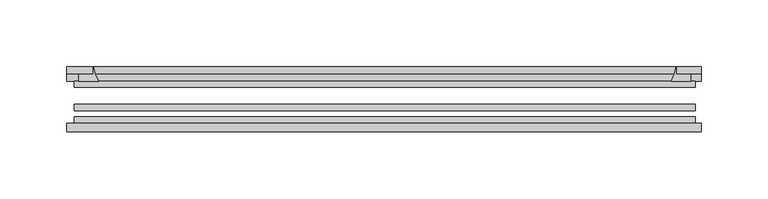
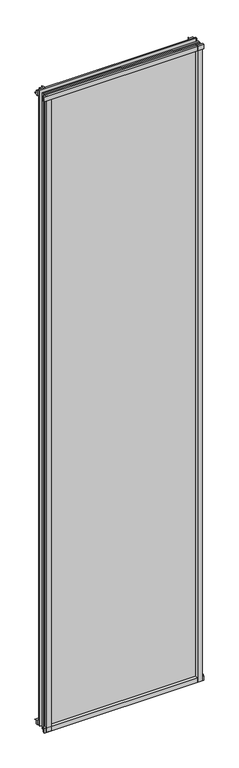
"""IFC4 building model written with IfcOpenShell, lengths in millimetres: plate geometry."""

from ifc_helpers import new_model, si_unit, point, frame, frame_2d, origin, place, context, project, spatial, polyline, circle_curve, trimmed, segment, composite_curve, outline, extrude, source, transform, mapped, element, save


def plate_31d565b8(model_context):
    return source(origin(), model_context, "Body", "SweptSolid", [
        extrude(outline(composite_curve([segment(polyline([(-85.1328625, 1995.5063002), (-78.7828625, 1995.5063002), (-78.7828625, 1979.2561909)]), True, "CONTINUOUS"), segment(trimmed(circle_curve(frame_2d((-85.0581856, 1970.2064356)), 11.0126179), [point((-78.7828625, 1979.2561909))], [point((-85.1328625, 1981.2188002))], True, "CARTESIAN"), True, "CONTINUOUS"), segment(polyline([(-85.1328625, 1981.2188002), (-85.1328625, 1995.5063002)]), True, "CONTINUOUS")], self_intersect=False)), frame((-239.1029, 0.0, 0.0), z_axis=(1.0, 0.0, 0.0), x_axis=(0.0, 1.0, 0.0)), (0.0, 0.0, 1.0), 477.015175),
        extrude(outline(composite_curve([segment(polyline([(-233.3482125, -78.7828625), (-216.4869969, -78.7828625)]), True, "CONTINUOUS"), segment(trimmed(circle_curve(frame_2d((-205.9245934, -86.7604812)), 13.2365693), [point((-216.4869969, -78.7828625))], [point((-219.0607125, -85.1328625))], True, "CARTESIAN"), True, "CONTINUOUS"), segment(polyline([(-219.0607125, -85.1328625), (-233.3482125, -85.1328625), (-233.3482125, -78.7828625)]), True, "CONTINUOUS")], self_intersect=False)), frame((0.0, 0.0, -14.2875), z_axis=(0.0, 0.0, 1.0), x_axis=(1.0, 0.0, 0.0)), (0.0, 0.0, 1.0), 2009.775),
        extrude(outline(composite_curve([segment(polyline([(233.3482125, -78.7828625), (233.3482125, -85.1328625), (219.0607125, -85.1328625)]), True, "CONTINUOUS"), segment(trimmed(circle_curve(frame_2d((205.9245934, -86.7604812)), 13.2365693), [point((219.0607125, -85.1328625))], [point((216.4869969, -78.7828625))], True, "CARTESIAN"), True, "CONTINUOUS"), segment(polyline([(216.4869969, -78.7828625), (233.3482125, -78.7828625)]), True, "CONTINUOUS")], self_intersect=False)), frame((0.0, 0.0, -14.2875), z_axis=(0.0, 0.0, 1.0), x_axis=(1.0, 0.0, 0.0)), (0.0, 0.0, 1.0), 2009.775),
        extrude(outline(composite_curve([segment(polyline([(-47.1852625, -10.4712201), (-47.1852625, 3.9588469)]), True, "CONTINUOUS"), segment(trimmed(circle_curve(frame_2d((-30.6824422, 32.267054)), 32.7673262), [point((-47.1852625, 3.9588469))], [point((-36.3503395, -0.00635))], True, "CARTESIAN"), True, "CONTINUOUS"), segment(polyline([(-36.3503395, -0.00635), (-42.2830625, -0.00635), (-42.2830625, -10.4712201), (-47.1852625, -10.4712201)]), True, "CONTINUOUS")], self_intersect=False)), frame((-239.1029, 0.0, 0.0), z_axis=(1.0, 0.0, 0.0), x_axis=(0.0, 1.0, 0.0)), (0.0, 0.0, 1.0), 477.015175),
        extrude(outline(composite_curve([segment(polyline([(-78.7828625, -14.2875), (-85.1328625, -14.2875), (-85.1328625, -0.0127)]), True, "CONTINUOUS"), segment(trimmed(circle_curve(frame_2d((-86.7604812, 13.1234191)), 13.2365693), [point((-85.1328625, -0.0127))], [point((-78.7828625, 2.5610156))], True, "CARTESIAN"), True, "CONTINUOUS"), segment(polyline([(-78.7828625, 2.5610156), (-78.7828625, -14.2875)]), True, "CONTINUOUS")], self_intersect=False)), frame((-239.1029, 0.0, 0.0), z_axis=(1.0, 0.0, 0.0), x_axis=(0.0, 1.0, 0.0)), (0.0, 0.0, 1.0), 477.015175),
        extrude(outline(composite_curve([segment(polyline([(-47.1852625, 1977.2284531), (-47.1852625, 1991.9002564), (-42.2830625, 1991.9002564), (-42.2830625, 1981.2), (-36.3140625, 1981.2)]), True, "CONTINUOUS"), segment(trimmed(circle_curve(frame_2d((-30.6824422, 1948.920246)), 32.7673262), [point((-36.3140625, 1981.2))], [point((-47.1852625, 1977.2284531))], True, "CARTESIAN"), True, "CONTINUOUS")], self_intersect=False)), frame((-239.1029, 0.0, 0.0), z_axis=(1.0, 0.0, 0.0), x_axis=(0.0, 1.0, 0.0)), (0.0, 0.0, 1.0), 477.015175),
        extrude(outline(composite_curve([segment(trimmed(circle_curve(frame_2d((186.7809585, -30.6824422)), 32.7673262), [point((215.0891656, -47.1852625))], [point((219.0607125, -36.3140625))], True, "CARTESIAN"), True, "CONTINUOUS"), segment(polyline([(219.0607125, -36.3140625), (219.0607125, -42.2830625), (229.7610778, -42.2830625), (229.7610778, -47.1852625), (215.0891656, -47.1852625)]), True, "CONTINUOUS")], self_intersect=False)), frame((0.0, 0.0, -14.2875), z_axis=(0.0, 0.0, 1.0), x_axis=(1.0, 0.0, 0.0)), (0.0, 0.0, 1.0), 2009.775),
        extrude(outline(composite_curve([segment(polyline([(-215.0891656, -47.1852625), (-229.7559217, -47.1852625), (-229.7559217, -42.2830625), (-219.0607125, -42.2830625), (-219.0607125, -36.3140625)]), True, "CONTINUOUS"), segment(trimmed(circle_curve(frame_2d((-186.7809585, -30.6824422)), 32.7673262), [point((-219.0607125, -36.3140625))], [point((-215.0891656, -47.1852625))], True, "CARTESIAN"), True, "CONTINUOUS")], self_intersect=False)), frame((0.0, 0.0, -14.2875), z_axis=(0.0, 0.0, 1.0), x_axis=(1.0, 0.0, 0.0)), (0.0, 0.0, 1.0), 2009.775),
        extrude(outline(polyline([(233.3482125, -64.6604625), (233.3482125, -69.4356625), (-233.3482125, -69.4356625), (-233.3482125, -64.6604625), (233.3482125, -64.6604625)])), frame((0.0, 0.0, -14.2875), z_axis=(0.0, 0.0, 1.0), x_axis=(1.0, 0.0, 0.0)), (0.0, 0.0, 1.0), 2009.775),
        extrude(outline(polyline([(-233.3482125, -78.7828625), (-233.3482125, -74.0076625), (233.3482125, -74.0076625), (233.3482125, -78.7828625), (-233.3482125, -78.7828625)])), frame((0.0, 0.0, -14.2875), z_axis=(0.0, 0.0, 1.0), x_axis=(1.0, 0.0, 0.0)), (0.0, 0.0, 1.0), 2009.775),
        extrude(outline(polyline([(-233.3482125, -47.1852625), (233.3482125, -47.1852625), (233.3482125, -51.9604625), (-233.3482125, -51.9604625), (-233.3482125, -47.1852625)])), frame((0.0, 0.0, -14.2875), z_axis=(0.0, 0.0, 1.0), x_axis=(1.0, 0.0, 0.0)), (0.0, 0.0, 1.0), 2009.775),
    ])


if __name__ == "__main__":
    model = new_model("IFC4")
    model_context = context("Model", 3, world=origin())
    ifc_project = project(units=[si_unit("LENGTHUNIT", "METRE", prefix="MILLI")], contexts=[model_context])
    site = spatial("IfcSite", under=ifc_project)
    building = spatial("IfcBuilding", under=site)
    placement = place(None, origin())
    plate_shape = plate_31d565b8(model_context)
    element("IfcPlate", 1, at=placement, inside=building, context=model_context, shape_type="MappedRepresentation", body=[
        mapped(plate_shape, transform((0.0, 0.0, 0.0), x_axis=(1.0, 0.0, 0.0), y_axis=(0.0, 1.0, 0.0), z_axis=(0.0, 0.0, 1.0))),
    ])
    save(model, "model.ifc")
